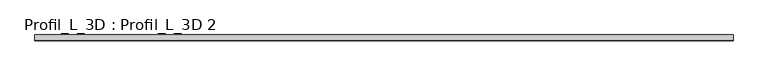
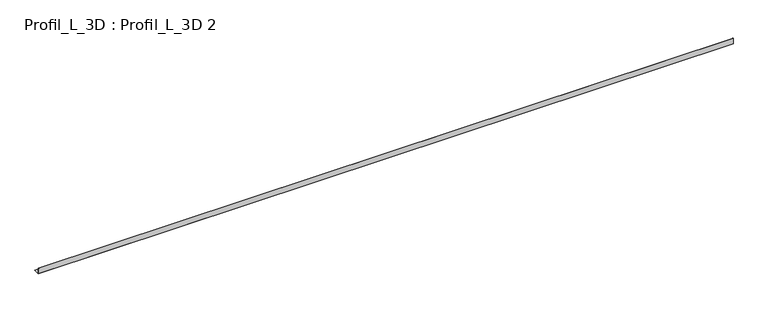
"""IFC4 building model written with IfcOpenShell, lengths in millimetres: proxy geometry, Profil_L_3D : Profil_L_3D 2."""

from ifc_helpers import new_model, si_unit, frame, origin, place, context, project, spatial, polyline, outline, extrude, source, transform, mapped, element, save


def profil_l_3d_profil_l_3d_2_a7aa49f2(model_context):
    return source(origin(), model_context, "Body", "SweptSolid", [
        extrude(outline(polyline([(0.0, 0.0), (0.0, 30.0), (0.8, 30.0), (0.8, 0.8), (30.0, 0.8), (30.0, 0.0), (0.0, 0.0)])), frame((0.0, 0.0, 0.0), z_axis=(1.0, 0.0, 0.0), x_axis=(0.0, 1.0, 0.0)), (0.0, 0.0, 1.0), 3599.2),
    ])


if __name__ == "__main__":
    model = new_model("IFC4")
    model_context = context("Model", 3, world=origin())
    ifc_project = project(units=[si_unit("LENGTHUNIT", "METRE", prefix="MILLI")], contexts=[model_context])
    site = spatial("IfcSite", under=ifc_project)
    building = spatial("IfcBuilding", under=site)
    placement = place(None, origin())
    profil_l_3d_profil_l_3d_2_shape = profil_l_3d_profil_l_3d_2_a7aa49f2(model_context)
    element("IfcBuildingElementProxy", 1, Name="Profil_L_3D : Profil_L_3D 2", ObjectType="Profil_L_3D : Profil_L_3D 2", at=placement, inside=building, context=model_context, shape_type="MappedRepresentation", body=[
        mapped(profil_l_3d_profil_l_3d_2_shape, transform((0.0, 0.0, 0.0), x_axis=(1.0, 0.0, 0.0), y_axis=(0.0, 1.0, 0.0), z_axis=(0.0, 0.0, 1.0))),
    ])
    save(model, "model.ifc")
